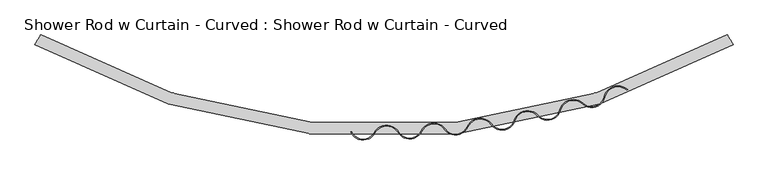
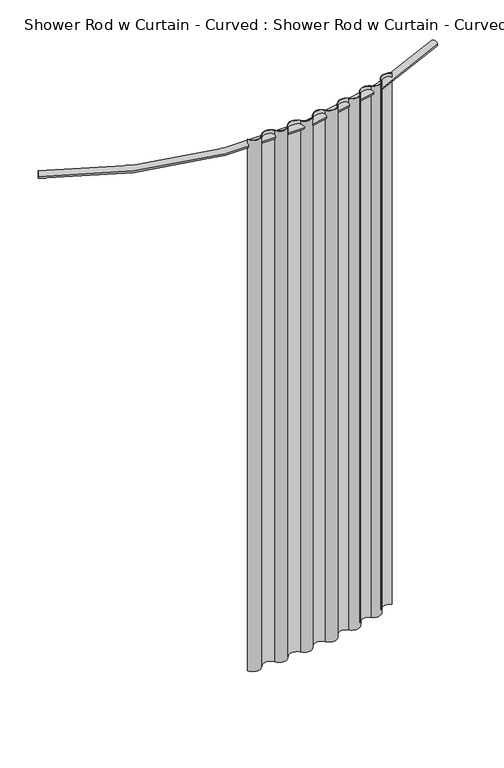
"""IFC4 building model written with IfcOpenShell, lengths in millimetres: proxy geometry, Shower Rod w Curtain - Curved : Shower Rod w Curtain - Curved."""

import ifcopenshell
import ifcopenshell.guid

model = None  # the IFC model being written
_history = None  # IfcOwnerHistory: only IFC2X3 demands one
_inside = {}  # id of a spatial element -> (the spatial element, [elements in it])
_under = {}  # id of a project, library or spatial element -> (it, [spatial elements below it])
_declared = {}  # id of a project -> (the project, [libraries it declares])
_typed = {}  # id of a type object -> (the type object, [elements of that type])
_made_of = {}  # id of a material, layer set ... -> (it, [elements and type objects made of it])


def new_model(schema):
    """Start an empty IFC model of exactly this schema.

    Asked for "IFC4X3", IfcOpenShell would pick the latest addendum, in which some entities
    have other attributes; the version numbers below select the first issue.
    IFC2X3 requires an IfcOwnerHistory on every rooted entity: one is made here for all.
    """
    global model, _history
    if schema == "IFC4X3":
        model = ifcopenshell.file(schema_version=(4, 3, 0, 0))
    else:
        model = ifcopenshell.file(schema=schema)
    _inside.clear()
    _under.clear()
    _declared.clear()
    _typed.clear()
    _made_of.clear()
    _history = None
    if model.schema == "IFC2X3":
        org = make("IfcOrganization", Name="unknown")
        user = make(
            "IfcPersonAndOrganization",
            ThePerson=make("IfcPerson", FamilyName="unknown"),
            TheOrganization=org,
        )
        app = make(
            "IfcApplication",
            ApplicationDeveloper=org,
            Version="unknown",
            ApplicationFullName="unknown",
            ApplicationIdentifier="unknown",
        )
        _history = make(
            "IfcOwnerHistory",
            OwningUser=user,
            OwningApplication=app,
            ChangeAction="ADDED",
            CreationDate=0,
        )
    return model


def make(cls, **values):
    """One entity of the class cls with the attributes given. An attribute that is None is left unset."""
    return model.create_entity(
        cls, **{name: value for name, value in values.items() if value is not None}
    )


def rooted(cls, **values):
    """An entity with a GlobalId (a new one), such as an element, a storey or a relation."""
    return make(cls, GlobalId=ifcopenshell.guid.new(), OwnerHistory=_history, **values)


def si_unit(unit_type, name, prefix=None):
    """IfcSIUnit, for example si_unit("LENGTHUNIT", "METRE", prefix="MILLI")."""
    return make("IfcSIUnit", UnitType=unit_type, Prefix=prefix, Name=name)


def assignment(units):
    """IfcUnitAssignment: the units of a project."""
    return None if units is None else make("IfcUnitAssignment", Units=units)


def point(xyz):
    """IfcCartesianPoint."""
    return None if xyz is None else make("IfcCartesianPoint", Coordinates=xyz)


def direction(xyz):
    """IfcDirection."""
    return None if xyz is None else make("IfcDirection", DirectionRatios=xyz)


def frame(location, z_axis=None, x_axis=None):
    """IfcAxis2Placement3D, a coordinate frame: its origin and axes. An axis left out is left unset."""
    return make(
        "IfcAxis2Placement3D",
        Location=point(location),
        Axis=direction(z_axis),
        RefDirection=direction(x_axis),
    )


def frame_2d(location, x_axis=None):
    """IfcAxis2Placement2D, a coordinate frame in the plane: its origin and x axis."""
    return make(
        "IfcAxis2Placement2D", Location=point(location), RefDirection=direction(x_axis)
    )


def origin():
    """The frame at (0, 0, 0) with its axes left unset."""
    return frame((0.0, 0.0, 0.0))


def origin_with_axes():
    """The frame at (0, 0, 0) with the z axis (0, 0, 1) and the x axis (1, 0, 0) written out."""
    return frame((0.0, 0.0, 0.0), z_axis=(0.0, 0.0, 1.0), x_axis=(1.0, 0.0, 0.0))


def place(relative_to, where):
    """IfcLocalPlacement: puts the frame where relative to a parent placement (None: the world)."""
    return make(
        "IfcLocalPlacement", PlacementRelTo=relative_to, RelativePlacement=where
    )


def context(
    kind, dimensions, precision=None, world=None, true_north=None, identifier=None
):
    """IfcGeometricRepresentationContext, for example the 3D "Model" context."""
    return make(
        "IfcGeometricRepresentationContext",
        ContextIdentifier=identifier,
        ContextType=kind,
        CoordinateSpaceDimension=dimensions,
        Precision=precision,
        WorldCoordinateSystem=world,
        TrueNorth=true_north,
    )


def project(units=None, contexts=None):
    """IfcProject with its units and contexts."""
    return rooted(
        "IfcProject",
        Name="project",
        RepresentationContexts=contexts,
        UnitsInContext=assignment(units),
    )


def spatial(cls, under=None, at=None, **own):
    """A site, building, storey or space (cls), placed at a placement, below another one or the project."""
    s = rooted(cls, ObjectPlacement=at, **own)
    if under is not None:
        _under.setdefault(under.id(), (under, []))[1].append(s)
    return s


def polyline(points):
    """IfcPolyline through the points."""
    return make("IfcPolyline", Points=[point(p) for p in points])


def circle_curve(where, radius):
    """IfcCircle in the frame where."""
    return make("IfcCircle", Position=where, Radius=radius)


def ellipse_curve(where, semi_axis1, semi_axis2):
    """IfcEllipse in the frame where."""
    return make(
        "IfcEllipse", Position=where, SemiAxis1=semi_axis1, SemiAxis2=semi_axis2
    )


def trimmed(basis, trim1, trim2, sense, master):
    """IfcTrimmedCurve: the piece of a basis curve between two trims."""
    return make(
        "IfcTrimmedCurve",
        BasisCurve=basis,
        Trim1=trim1,
        Trim2=trim2,
        SenseAgreement=sense,
        MasterRepresentation=master,
    )


def segment(curve, same_sense, transition):
    """IfcCompositeCurveSegment."""
    return make(
        "IfcCompositeCurveSegment",
        Transition=transition,
        SameSense=same_sense,
        ParentCurve=curve,
    )


def composite_curve(segments, self_intersect=None):
    """IfcCompositeCurve: segments joined end to end."""
    return make("IfcCompositeCurve", Segments=segments, SelfIntersect=self_intersect)


def outline(outer, holes=None, kind="AREA"):
    """IfcArbitraryClosedProfileDef: a profile drawn as a closed curve; with holes, ...WithVoids."""
    if holes is None:
        return make("IfcArbitraryClosedProfileDef", ProfileType=kind, OuterCurve=outer)
    return make(
        "IfcArbitraryProfileDefWithVoids",
        ProfileType=kind,
        OuterCurve=outer,
        InnerCurves=holes,
    )


def extrude(swept, where, along, depth):
    """IfcExtrudedAreaSolid: the profile swept, set in the frame where, extruded along a direction by depth."""
    return make(
        "IfcExtrudedAreaSolid",
        SweptArea=swept,
        Position=where,
        ExtrudedDirection=direction(along),
        Depth=depth,
    )


def shape(context_of_items, identifier, shape_type, items):
    """IfcShapeRepresentation: the items that make up one representation, for example the "Body"."""
    return make(
        "IfcShapeRepresentation",
        ContextOfItems=context_of_items,
        RepresentationIdentifier=identifier,
        RepresentationType=shape_type,
        Items=items,
    )


def source(mapping_origin, context_of_items, identifier, shape_type, items):
    """IfcRepresentationMap: a shape defined once, which mapped items show again and again."""
    return make(
        "IfcRepresentationMap",
        MappingOrigin=mapping_origin,
        MappedRepresentation=shape(context_of_items, identifier, shape_type, items),
    )


def transform(
    local_origin,
    x_axis=None,
    y_axis=None,
    z_axis=None,
    scale=None,
    scale2=None,
    scale3=None,
    uniform=True,
):
    """IfcCartesianTransformationOperator3D, or its non-uniform kind. x_axis, y_axis, z_axis: its Axis1, 2, 3."""
    if uniform:
        return make(
            "IfcCartesianTransformationOperator3D",
            Axis1=direction(x_axis),
            Axis2=direction(y_axis),
            LocalOrigin=point(local_origin),
            Scale=scale,
            Axis3=direction(z_axis),
        )
    return make(
        "IfcCartesianTransformationOperator3DnonUniform",
        Axis1=direction(x_axis),
        Axis2=direction(y_axis),
        LocalOrigin=point(local_origin),
        Scale=scale,
        Axis3=direction(z_axis),
        Scale2=scale2,
        Scale3=scale3,
    )


def mapped(mapping_source, mapping_target):
    """IfcMappedItem: shows the shape of a source again, moved by a transform."""
    return make(
        "IfcMappedItem", MappingSource=mapping_source, MappingTarget=mapping_target
    )


def made_of(thing, what):
    """Note that an element or type object is made of a material, layer set ...; save() writes the relation."""
    if what is not None:
        _made_of.setdefault(what.id(), (what, []))[1].append(thing)
    return thing


def element(
    cls,
    number,
    at=None,
    inside=None,
    cuts=None,
    type_object=None,
    material=None,
    context=None,
    identifier="Body",
    shape_type=None,
    held_by="IfcProductDefinitionShape",
    body=None,
    shapes=None,
    **own,
):
    """One element of the class cls, such as IfcWall. Its Tag is "e" and its number.

    at: its placement. inside: the storey or other place that contains it. cuts: it is an
    opening in that element (IfcRelVoidsElement). A single representation is given by context,
    identifier, shape_type and body (its items); several are given by shapes. held_by: the class
    of the entity that holds the representations. save() writes the other relations.
    """
    e = rooted(cls, Tag="e%d" % number, ObjectPlacement=at, **own)
    if body is not None:
        shapes = [shape(context, identifier, shape_type, body)]
    if shapes is not None:
        e.Representation = make(held_by, Representations=shapes)
    if inside is not None:
        _inside.setdefault(inside.id(), (inside, []))[1].append(e)
    if cuts is not None:
        rooted(
            "IfcRelVoidsElement", RelatingBuildingElement=cuts, RelatedOpeningElement=e
        )
    if type_object is not None:
        _typed.setdefault(type_object.id(), (type_object, []))[1].append(e)
    return made_of(e, material)


def aggregate(whole, parts):
    """IfcRelAggregates: a whole, such as a stair, and the parts it consists of."""
    return rooted("IfcRelAggregates", RelatingObject=whole, RelatedObjects=parts)


def save(model, path):
    """Write the relations noted so far, then the file.

    IfcRelAggregates (storeys below a building ...), IfcRelContainedInSpatialStructure (elements
    in a storey), IfcRelDefinesByType, IfcRelAssociatesMaterial and IfcRelDeclares: one each for
    every whole, place, type object, material and project.
    """
    for whole, parts in _under.values():
        aggregate(whole, parts)
    for where, things in _inside.values():
        rooted(
            "IfcRelContainedInSpatialStructure",
            RelatedElements=things,
            RelatingStructure=where,
        )
    for kind, things in _typed.values():
        rooted("IfcRelDefinesByType", RelatedObjects=things, RelatingType=kind)
    for what, things in _made_of.values():
        rooted("IfcRelAssociatesMaterial", RelatedObjects=things, RelatingMaterial=what)
    for by, libraries in _declared.values():
        rooted("IfcRelDeclares", RelatingContext=by, RelatedDefinitions=libraries)
    model.write(path)


def plane_surface(at):
    """IfcPlane: the flat surface through the origin of the frame at, square to its z axis."""
    return make("IfcPlane", Position=at)


def revolved_surface(curve, axis_point, axis_direction):
    """IfcSurfaceOfRevolution: the curve turned about the line through axis_point along axis_direction."""
    return make(
        "IfcSurfaceOfRevolution",
        SweptCurve=make("IfcArbitraryOpenProfileDef", ProfileType="CURVE", Curve=curve),
        AxisPosition=make("IfcAxis1Placement", Location=point(axis_point), Axis=direction(axis_direction)),
    )


def advanced_brep(points, edges, surfaces, faces):
    """IfcAdvancedBrep: a solid bounded by faces that lie on surfaces and meet in shared edges.

    An edge is (start, end): straight between two places in points (the first is 0);
    or (start, end, curve); or (start, end, curve, False) where it runs against its curve.
    A face is (place in surfaces, loops), or (place, loops, False) where it looks against
    its surface's normal. A loop lists edges by number (the first is 1), with a minus sign
    where the edge is run from its end to its start. The first loop is the outer one.
    """
    corners = [point(p) for p in points]
    vertices = [make("IfcVertexPoint", VertexGeometry=c) for c in corners]
    made = []
    for start, end, *more in edges:
        made.append(
            make(
                "IfcEdgeCurve",
                EdgeStart=vertices[start],
                EdgeEnd=vertices[end],
                EdgeGeometry=more[0] if more else make("IfcPolyline", Points=[corners[start], corners[end]]),
                SameSense=more[1] if len(more) > 1 else True,
            )
        )
    hull = []
    for where, loops, *sense in faces:
        bounds = []
        for j, loop in enumerate(loops):
            ring = [make("IfcOrientedEdge", EdgeElement=made[abs(k) - 1], Orientation=k > 0) for k in loop]
            bounds.append(
                make(
                    "IfcFaceOuterBound" if j == 0 else "IfcFaceBound",
                    Bound=make("IfcEdgeLoop", EdgeList=ring),
                    Orientation=True,
                )
            )
        hull.append(make("IfcAdvancedFace", Bounds=bounds, FaceSurface=surfaces[where], SameSense=sense[0] if sense else True))
    return make("IfcAdvancedBrep", Outer=make("IfcClosedShell", CfsFaces=hull))


def shower_rod_w_curtain_curved_shower_rod_w_curtain_curved_143052c1(model_context):
    return source(origin(), model_context, "Body", "SolidModel", [
        extrude(outline(composite_curve([segment(trimmed(circle_curve(frame_2d((457.1722287, -689.8264759)), 29.5590224), [point((486.0010068, -696.3562049))], [point((437.6475254, -712.0193073))], False, "CARTESIAN"), True, "CONTINUOUS"), segment(trimmed(circle_curve(frame_2d((416.7249138, -732.8994444)), 29.5590224), [point((437.6475254, -712.0193073))], [point((388.1415817, -725.3675833))], True, "CARTESIAN"), True, "CONTINUOUS"), segment(trimmed(circle_curve(frame_2d((359.5582496, -717.8357222)), 29.5590224), [point((388.1415817, -725.3675833))], [point((337.5997349, -737.6235832))], False, "CARTESIAN"), True, "CONTINUOUS"), segment(trimmed(circle_curve(frame_2d((315.8481538, -757.6386905)), 29.5590224), [point((337.5997349, -737.6235832))], [point((287.6981813, -748.6212155))], True, "CARTESIAN"), True, "CONTINUOUS"), segment(trimmed(circle_curve(frame_2d((259.5482088, -739.6037405)), 29.5590224), [point((287.6981813, -748.6212155))], [point((235.4980962, -756.7888471))], False, "CARTESIAN"), True, "CONTINUOUS"), segment(trimmed(circle_curve(frame_2d((211.6002166, -774.1850293)), 29.5590224), [point((235.4980962, -756.7888471))], [point((184.5470354, -762.2744796))], True, "CARTESIAN"), True, "CONTINUOUS"), segment(trimmed(circle_curve(frame_2d((157.4938542, -750.36393)), 29.5590224), [point((184.5470354, -762.2744796))], [point((134.0932828, -768.4235275))], False, "CARTESIAN"), True, "CONTINUOUS"), segment(trimmed(circle_curve(frame_2d((109.5709605, -784.9278152)), 29.5590224), [point((134.0932828, -768.4235275))], [point((82.9499316, -772.0803787))], True, "CARTESIAN"), True, "CONTINUOUS"), segment(trimmed(circle_curve(frame_2d((56.3289027, -759.2329423)), 29.5590224), [point((82.9499316, -772.0803787))], [point((30.9981259, -774.4673623))], False, "CARTESIAN"), True, "CONTINUOUS"), segment(trimmed(circle_curve(frame_2d((5.82712, -789.9643384)), 29.5590224), [point((30.9981259, -774.4673623))], [point((-20.0850428, -775.7412719))], True, "CARTESIAN"), True, "CONTINUOUS"), segment(trimmed(circle_curve(frame_2d((-45.9972057, -761.5182054)), 29.5590224), [point((-20.0850428, -775.7412719))], [point((-73.2318291, -773.0078133))], False, "CARTESIAN"), True, "CONTINUOUS"), segment(polyline([(-73.2318291, -773.0078133), (-71.4433344, -773.132877)]), True, "CONTINUOUS"), segment(trimmed(circle_curve(frame_2d((-45.9972057, -761.5182054)), 27.9715224), [point((-71.4433344, -773.132877))], [point((-21.4766842, -774.9774064))], True, "CARTESIAN"), True, "CONTINUOUS"), segment(trimmed(circle_curve(frame_2d((5.82712, -789.9643384)), 31.1465224), [point((-21.4766842, -774.9774064))], [point((32.5139452, -773.9044747))], False, "CARTESIAN"), True, "CONTINUOUS"), segment(trimmed(circle_curve(frame_2d((56.3289027, -759.2329423)), 27.9715224), [point((32.5139452, -773.9044747))], [point((81.5202198, -771.390393))], True, "CARTESIAN"), True, "CONTINUOUS"), segment(trimmed(circle_curve(frame_2d((109.5709605, -784.9278152)), 31.1465224), [point((81.5202198, -771.390393))], [point((135.380704, -767.4932805))], False, "CARTESIAN"), True, "CONTINUOUS"), segment(trimmed(circle_curve(frame_2d((157.4938542, -750.36393)), 27.9715224), [point((135.380704, -767.4932805))], [point((183.0941144, -761.6348104))], True, "CARTESIAN"), True, "CONTINUOUS"), segment(trimmed(circle_curve(frame_2d((211.6002166, -774.1850293)), 31.1465224), [point((183.0941144, -761.6348104))], [point((236.785781, -755.8603682))], False, "CARTESIAN"), True, "CONTINUOUS"), segment(trimmed(circle_curve(frame_2d((259.5482088, -739.6037405)), 27.9715224), [point((236.785781, -755.8603682))], [point((286.1863559, -748.136922))], True, "CARTESIAN"), True, "CONTINUOUS"), segment(trimmed(circle_curve(frame_2d((315.8481538, -757.6386905)), 31.1465224), [point((286.1863559, -748.136922))], [point((338.9803003, -736.7818054))], False, "CARTESIAN"), True, "CONTINUOUS"), segment(trimmed(circle_curve(frame_2d((359.5582496, -717.8357222)), 27.9715224), [point((338.9803003, -736.7818054))], [point((386.6064822, -724.9630764))], True, "CARTESIAN"), True, "CONTINUOUS"), segment(trimmed(circle_curve(frame_2d((416.7249138, -732.8994444)), 31.1465224), [point((386.6064822, -724.9630764))], [point((438.7337935, -710.8605))], False, "CARTESIAN"), True, "CONTINUOUS"), segment(trimmed(circle_curve(frame_2d((457.1722287, -689.8264759)), 27.9715224), [point((438.7337935, -710.8605))], [point((484.4527254, -696.0055186))], True, "CARTESIAN"), True, "CONTINUOUS"), segment(trimmed(circle_curve(frame_2d((514.8297848, -702.8859339)), 31.1465224), [point((484.4527254, -696.0055186))], [point((536.0561093, -680.0923162))], False, "CARTESIAN"), True, "CONTINUOUS"), segment(polyline([(536.0561093, -680.0923162), (534.3146778, -680.6581416)]), True, "CONTINUOUS"), segment(trimmed(circle_curve(frame_2d((514.8297848, -702.8859339)), 29.5590224), [point((534.3146778, -680.6581416))], [point((486.0010068, -696.3562049))], True, "CARTESIAN"), True, "CONTINUOUS")], self_intersect=False)), origin_with_axes(), (0.0, 0.0, 1.0), 2159.0),
        advanced_brep(
        [(-768.3236515, -580.9261929, 2133.6), (-755.6763485, -558.8988071, 2133.6), (768.3236515, -580.9261929, 2133.6), (755.6763485, -558.8988071, 2133.6)],
        [
            (0, 1, circle_curve(frame((-762.0, -569.9125, 2133.6), z_axis=(-0.8672199170124492, 0.49792531120331773, 0.0), x_axis=(0.49792531120331773, 0.8672199170124492, 0.0)), 12.7)),
            (1, 0, circle_curve(frame((-762.0, -569.9125, 2133.6), z_axis=(-0.8672199170124492, 0.49792531120331773, 0.0), x_axis=(0.49792531120331773, 0.8672199170124492, 0.0)), 12.7)),
            (2, 3, circle_curve(frame((762.0, -569.9125, 2133.6), z_axis=(0.8672199170124528, 0.4979253112033114, 0.0), x_axis=(-0.4979253112033114, 0.8672199170124528, 0.0)), 12.7)),
            (3, 2, circle_curve(frame((762.0, -569.9125, 2133.6), z_axis=(0.8672199170124528, 0.4979253112033114, 0.0), x_axis=(-0.4979253112033114, 0.8672199170124528, 0.0)), 12.7)),
            (2, 0, circle_curve(frame((0.0, 757.2375, 2133.6), z_axis=(0.0, 0.0, -1.0), x_axis=(-0.4979253112033232, -0.867219917012446, 0.0)), 1543.05)),
            (1, 3, circle_curve(frame((0.0, 757.2375, 2133.6), z_axis=(0.0, 0.0, 1.0), x_axis=(-0.4979253112033232, -0.867219917012446, 0.0)), 1517.65)),
        ],
        [
            plane_surface(frame((-762.0, -569.9125, 0.0), z_axis=(-0.867219917012446, 0.4979253112033232, 0.0), x_axis=(0.0, 0.0, 1.0))),
            plane_surface(frame((762.0, -569.9125, 0.0), z_axis=(0.867219917012456, 0.49792531120330596, 0.0), x_axis=(0.0, 0.0, 1.0))),
            revolved_surface(trimmed(ellipse_curve(frame((-762.0, -569.9125, 2133.6), z_axis=(0.8672199170124492, -0.49792531120331773, 0.0), x_axis=(0.49792531120331773, 0.8672199170124492, 0.0)), 12.7, 12.7), [point((-768.3236515, -580.9261929, 2133.6))], [point((-755.6763485, -558.8988071, 2133.6))], True, "CARTESIAN"), (0.0, 757.2375, 0.0), (0.0, 0.0, -1.0)),
            revolved_surface(trimmed(ellipse_curve(frame((-762.0, -569.9125, 2133.6), z_axis=(0.8672199170124492, -0.49792531120331773, 0.0), x_axis=(0.49792531120331773, 0.8672199170124492, 0.0)), 12.7, 12.7), [point((-755.6763485, -558.8988071, 2133.6))], [point((-768.3236515, -580.9261929, 2133.6))], True, "CARTESIAN"), (0.0, 757.2375, 0.0), (0.0, 0.0, -1.0)),
        ],
        [
            (0, [[1, 2]]),
            (1, [[3, 4]]),
            (2, [[-3, 5, -2, 6]]),
            (3, [[-4, -6, -1, -5]]),
        ],
    ),
    ])


if __name__ == "__main__":
    model = new_model("IFC4")
    model_context = context("Model", 3, world=origin())
    ifc_project = project(units=[si_unit("LENGTHUNIT", "METRE", prefix="MILLI")], contexts=[model_context])
    site = spatial("IfcSite", under=ifc_project)
    building = spatial("IfcBuilding", under=site)
    placement = place(None, origin())
    shower_rod_w_curtain_curved_shower_rod_w_curtain_curved_shape = shower_rod_w_curtain_curved_shower_rod_w_curtain_curved_143052c1(model_context)
    element("IfcBuildingElementProxy", 1, Name="Shower Rod w Curtain - Curved : Shower Rod w Curtain - Curved", ObjectType="Shower Rod w Curtain - Curved : Shower Rod w Curtain - Curved", at=placement, inside=building, context=model_context, shape_type="MappedRepresentation", body=[
        mapped(shower_rod_w_curtain_curved_shower_rod_w_curtain_curved_shape, transform((0.0, 0.0, 0.0), x_axis=(1.0, 0.0, 0.0), y_axis=(0.0, 1.0, 0.0), z_axis=(0.0, 0.0, 1.0))),
    ])
    save(model, "model.ifc")
